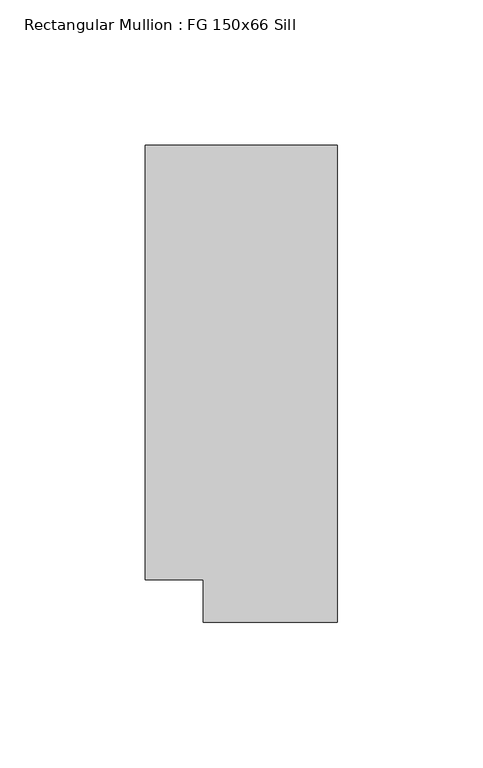
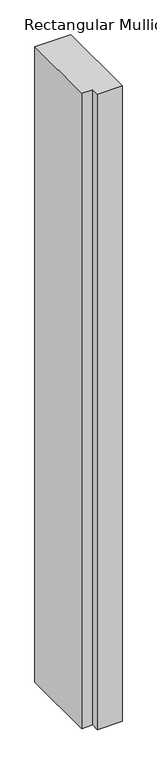
"""IFC4 building model written with IfcOpenShell, lengths in millimetres: member geometry, Rectangular Mullion : FG 150x66 Sill."""

from ifc_helpers import new_model, si_unit, frame, origin, place, context, project, spatial, polyline, outline, extrude, source, transform, mapped, element, save


def rectangular_mullion_fg_150x66_sill_530e35bd(model_context):
    return source(origin(), model_context, "Body", "SweptSolid", [
        extrude(outline(polyline([(0.0, 75.0), (0.0, -89.0), (-46.0000284, -89.0), (-46.0000284, -74.5), (-65.9954662, -74.5), (-65.9954662, 75.0), (0.0, 75.0)])), frame((0.0, 0.0, -1238.8331729), z_axis=(0.0, 0.0, 1.0), x_axis=(1.0, 0.0, 0.0)), (0.0, 0.0, 1.0), 1238.8331729),
    ])


if __name__ == "__main__":
    model = new_model("IFC4")
    model_context = context("Model", 3, world=origin())
    ifc_project = project(units=[si_unit("LENGTHUNIT", "METRE", prefix="MILLI")], contexts=[model_context])
    site = spatial("IfcSite", under=ifc_project)
    building = spatial("IfcBuilding", under=site)
    placement = place(None, origin())
    rectangular_mullion_fg_150x66_sill_shape = rectangular_mullion_fg_150x66_sill_530e35bd(model_context)
    element("IfcMember", 1, ObjectType="Rectangular Mullion : FG 150x66 Sill", at=placement, inside=building, context=model_context, shape_type="MappedRepresentation", body=[
        mapped(rectangular_mullion_fg_150x66_sill_shape, transform((0.0, 0.0, 0.0), x_axis=(1.0, 0.0, 0.0), y_axis=(0.0, 1.0, 0.0), z_axis=(0.0, 0.0, 1.0))),
    ])
    save(model, "model.ifc")
